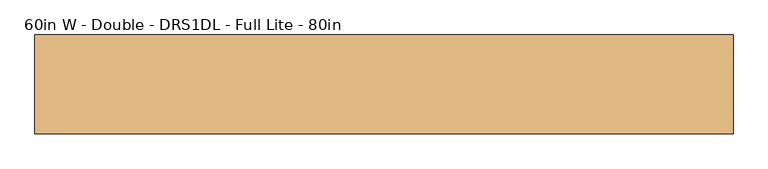
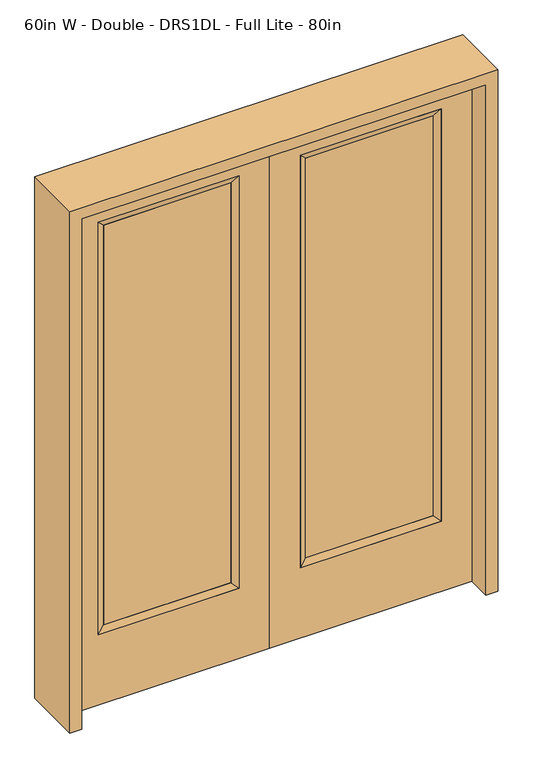
"""IFC4 building model written with IfcOpenShell, lengths in millimetres: door geometry, 60in W - Double - DRS1DL - Full Lite - 80in."""

from ifc_helpers import new_model, si_unit, frame, origin, place, context, project, spatial, polyline, outline, extrude, faceted_brep, source, transform, mapped, element, save


def door_60in_w_double_drs1dl_full_lite_80in_5c2f5b9a(model_context):
    return source(origin(), model_context, "Body", "SolidModel", [
        extrude(outline(polyline([(140.8176, -12.7039749), (140.8176, 14.2875), (621.1824, 14.2875), (621.1824, -12.7039749), (140.8176, -12.7039749)])), frame((0.0, 0.0, 304.8), z_axis=(0.0, 0.0, 1.0), x_axis=(1.0, 0.0, 0.0)), (0.0, 0.0, 1.0), 1591.1576),
        faceted_brep([(140.8176, 14.2875, 1895.9576), (140.8176, 14.2875, 304.8), (115.4176, 22.225, 279.4), (115.4176, 22.225, 1921.3576), (115.4176, -22.225, 279.4), (115.4176, -22.225, 1921.3576), (621.1824, 14.2875, 304.8), (646.5824, 22.225, 279.4), (140.8176, -12.7039749, 1895.9576), (140.8176, -12.7039749, 304.8), (621.1824, -12.7039749, 304.8), (646.5824, -22.225, 279.4), (621.1824, 14.2875, 1895.9576), (646.5824, 22.225, 1921.3576), (621.1824, -12.7039749, 1895.9576), (646.5824, -22.225, 1921.3576)], [[[0, 1, 2, 3]], [[3, 2, 4, 5]], [[1, 6, 7, 2]], [[8, 9, 1, 0]], [[9, 10, 6, 1]], [[5, 4, 9, 8]], [[4, 11, 10, 9]], [[2, 7, 11, 4]], [[6, 12, 13, 7]], [[10, 14, 12, 6]], [[11, 15, 14, 10]], [[7, 13, 15, 11]], [[12, 0, 3, 13]], [[14, 8, 0, 12]], [[15, 5, 8, 14]], [[13, 3, 5, 15]]]),
        extrude(outline(polyline([(0.0, 762.0), (2032.0, 762.0), (2032.0, 0.0), (0.0, 0.0), (0.0, 762.0)]), holes=[polyline([(279.4, 646.5824), (279.4, 115.4176), (1921.3576, 115.4176), (1921.3576, 646.5824), (279.4, 646.5824)])]), frame((0.0, -22.225, 0.0), z_axis=(0.0, 1.0, 0.0), x_axis=(0.0, 0.0, 1.0)), (0.0, 0.0, 1.0), 44.45),
        extrude(outline(polyline([(-140.8176, -12.7039749), (-621.1824, -12.7039749), (-621.1824, 14.2875), (-140.8176, 14.2875), (-140.8176, -12.7039749)])), frame((0.0, 0.0, 304.8), z_axis=(0.0, 0.0, 1.0), x_axis=(1.0, 0.0, 0.0)), (0.0, 0.0, 1.0), 1591.1576),
        faceted_brep([(-140.8176, 14.2875, 1895.9576), (-115.4176, 22.225, 1921.3576), (-115.4176, 22.225, 279.4), (-140.8176, 14.2875, 304.8), (-115.4176, -22.225, 1921.3576), (-115.4176, -22.225, 279.4), (-646.5824, 22.225, 279.4), (-621.1824, 14.2875, 304.8), (-140.8176, -12.7039749, 1895.9576), (-140.8176, -12.7039749, 304.8), (-621.1824, -12.7039749, 304.8), (-646.5824, -22.225, 279.4), (-646.5824, 22.225, 1921.3576), (-621.1824, 14.2875, 1895.9576), (-621.1824, -12.7039749, 1895.9576), (-646.5824, -22.225, 1921.3576)], [[[0, 1, 2, 3]], [[1, 4, 5, 2]], [[3, 2, 6, 7]], [[8, 0, 3, 9]], [[9, 3, 7, 10]], [[4, 8, 9, 5]], [[5, 9, 10, 11]], [[2, 5, 11, 6]], [[7, 6, 12, 13]], [[10, 7, 13, 14]], [[11, 10, 14, 15]], [[6, 11, 15, 12]], [[13, 12, 1, 0]], [[14, 13, 0, 8]], [[15, 14, 8, 4]], [[12, 15, 4, 1]]]),
        extrude(outline(polyline([(0.0, -762.0), (0.0, 0.0), (2032.0, 0.0), (2032.0, -762.0), (0.0, -762.0)]), holes=[polyline([(279.4, -646.5824), (1921.3576, -646.5824), (1921.3576, -115.4176), (279.4, -115.4176), (279.4, -646.5824)])]), frame((0.0, -22.225, 0.0), z_axis=(0.0, 1.0, 0.0), x_axis=(0.0, 0.0, 1.0)), (0.0, 0.0, 1.0), 44.45),
        extrude(outline(polyline([(0.0, -806.45), (0.0, -762.0), (2032.0, -762.0), (2032.0, 762.0), (0.0, 762.0), (0.0, 806.45), (2076.45, 806.45), (2076.45, -806.45), (0.0, -806.45)])), frame((0.0, -114.3, 0.0), z_axis=(0.0, 1.0, 0.0), x_axis=(0.0, 0.0, 1.0)), (0.0, 0.0, 1.0), 228.6),
    ])


if __name__ == "__main__":
    model = new_model("IFC4")
    model_context = context("Model", 3, world=origin())
    ifc_project = project(units=[si_unit("LENGTHUNIT", "METRE", prefix="MILLI")], contexts=[model_context])
    site = spatial("IfcSite", under=ifc_project)
    building = spatial("IfcBuilding", under=site)
    placement = place(None, origin())
    door_60in_w_double_drs1dl_full_lite_80in_shape = door_60in_w_double_drs1dl_full_lite_80in_5c2f5b9a(model_context)
    element("IfcDoor", 1, ObjectType="60in W - Double - DRS1DL - Full Lite - 80in", at=placement, inside=building, context=model_context, shape_type="MappedRepresentation", body=[
        mapped(door_60in_w_double_drs1dl_full_lite_80in_shape, transform((0.0, 0.0, 0.0), x_axis=(1.0, 0.0, 0.0), y_axis=(0.0, 1.0, 0.0), z_axis=(0.0, 0.0, 1.0))),
    ])
    save(model, "model.ifc")
